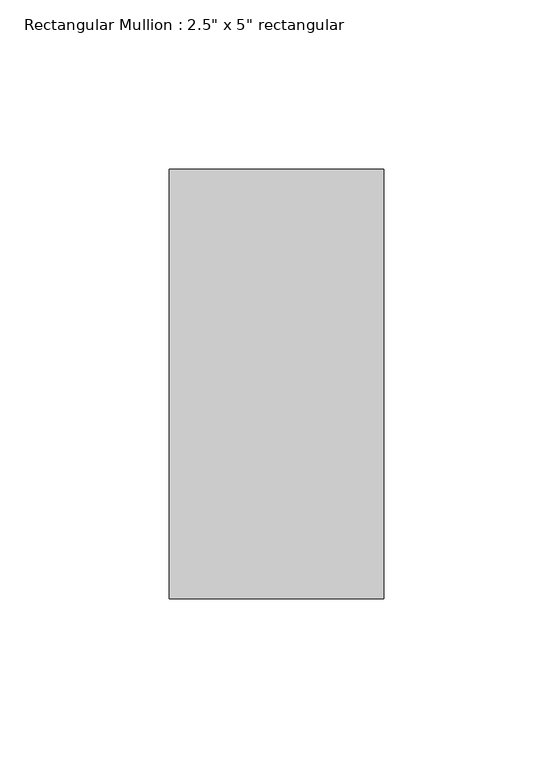
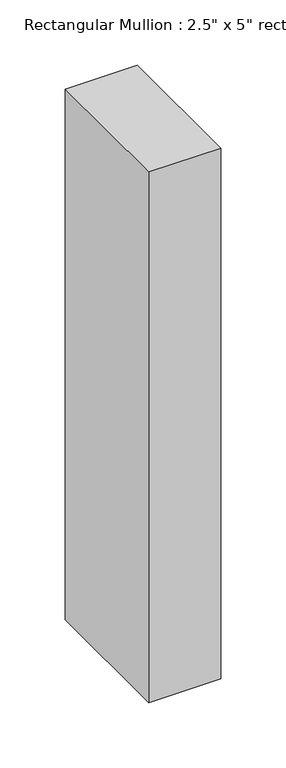
"""IFC4 building model written with IfcOpenShell, lengths in millimetres: member geometry."""

import ifcopenshell
import ifcopenshell.guid

model = None  # the IFC model being written
_history = None  # IfcOwnerHistory: only IFC2X3 demands one
_inside = {}  # id of a spatial element -> (the spatial element, [elements in it])
_under = {}  # id of a project, library or spatial element -> (it, [spatial elements below it])
_declared = {}  # id of a project -> (the project, [libraries it declares])
_typed = {}  # id of a type object -> (the type object, [elements of that type])
_made_of = {}  # id of a material, layer set ... -> (it, [elements and type objects made of it])


def new_model(schema):
    """Start an empty IFC model of exactly this schema.

    Asked for "IFC4X3", IfcOpenShell would pick the latest addendum, in which some entities
    have other attributes; the version numbers below select the first issue.
    IFC2X3 requires an IfcOwnerHistory on every rooted entity: one is made here for all.
    """
    global model, _history
    if schema == "IFC4X3":
        model = ifcopenshell.file(schema_version=(4, 3, 0, 0))
    else:
        model = ifcopenshell.file(schema=schema)
    _inside.clear()
    _under.clear()
    _declared.clear()
    _typed.clear()
    _made_of.clear()
    _history = None
    if model.schema == "IFC2X3":
        org = make("IfcOrganization", Name="unknown")
        user = make(
            "IfcPersonAndOrganization",
            ThePerson=make("IfcPerson", FamilyName="unknown"),
            TheOrganization=org,
        )
        app = make(
            "IfcApplication",
            ApplicationDeveloper=org,
            Version="unknown",
            ApplicationFullName="unknown",
            ApplicationIdentifier="unknown",
        )
        _history = make(
            "IfcOwnerHistory",
            OwningUser=user,
            OwningApplication=app,
            ChangeAction="ADDED",
            CreationDate=0,
        )
    return model


def make(cls, **values):
    """One entity of the class cls with the attributes given. An attribute that is None is left unset."""
    return model.create_entity(
        cls, **{name: value for name, value in values.items() if value is not None}
    )


def rooted(cls, **values):
    """An entity with a GlobalId (a new one), such as an element, a storey or a relation."""
    return make(cls, GlobalId=ifcopenshell.guid.new(), OwnerHistory=_history, **values)


def si_unit(unit_type, name, prefix=None):
    """IfcSIUnit, for example si_unit("LENGTHUNIT", "METRE", prefix="MILLI")."""
    return make("IfcSIUnit", UnitType=unit_type, Prefix=prefix, Name=name)


def assignment(units):
    """IfcUnitAssignment: the units of a project."""
    return None if units is None else make("IfcUnitAssignment", Units=units)


def point(xyz):
    """IfcCartesianPoint."""
    return None if xyz is None else make("IfcCartesianPoint", Coordinates=xyz)


def direction(xyz):
    """IfcDirection."""
    return None if xyz is None else make("IfcDirection", DirectionRatios=xyz)


def frame(location, z_axis=None, x_axis=None):
    """IfcAxis2Placement3D, a coordinate frame: its origin and axes. An axis left out is left unset."""
    return make(
        "IfcAxis2Placement3D",
        Location=point(location),
        Axis=direction(z_axis),
        RefDirection=direction(x_axis),
    )


def origin():
    """The frame at (0, 0, 0) with its axes left unset."""
    return frame((0.0, 0.0, 0.0))


def place(relative_to, where):
    """IfcLocalPlacement: puts the frame where relative to a parent placement (None: the world)."""
    return make(
        "IfcLocalPlacement", PlacementRelTo=relative_to, RelativePlacement=where
    )


def context(
    kind, dimensions, precision=None, world=None, true_north=None, identifier=None
):
    """IfcGeometricRepresentationContext, for example the 3D "Model" context."""
    return make(
        "IfcGeometricRepresentationContext",
        ContextIdentifier=identifier,
        ContextType=kind,
        CoordinateSpaceDimension=dimensions,
        Precision=precision,
        WorldCoordinateSystem=world,
        TrueNorth=true_north,
    )


def project(units=None, contexts=None):
    """IfcProject with its units and contexts."""
    return rooted(
        "IfcProject",
        Name="project",
        RepresentationContexts=contexts,
        UnitsInContext=assignment(units),
    )


def spatial(cls, under=None, at=None, **own):
    """A site, building, storey or space (cls), placed at a placement, below another one or the project."""
    s = rooted(cls, ObjectPlacement=at, **own)
    if under is not None:
        _under.setdefault(under.id(), (under, []))[1].append(s)
    return s


def polyline(points):
    """IfcPolyline through the points."""
    return make("IfcPolyline", Points=[point(p) for p in points])


def outline(outer, holes=None, kind="AREA"):
    """IfcArbitraryClosedProfileDef: a profile drawn as a closed curve; with holes, ...WithVoids."""
    if holes is None:
        return make("IfcArbitraryClosedProfileDef", ProfileType=kind, OuterCurve=outer)
    return make(
        "IfcArbitraryProfileDefWithVoids",
        ProfileType=kind,
        OuterCurve=outer,
        InnerCurves=holes,
    )


def extrude(swept, where, along, depth):
    """IfcExtrudedAreaSolid: the profile swept, set in the frame where, extruded along a direction by depth."""
    return make(
        "IfcExtrudedAreaSolid",
        SweptArea=swept,
        Position=where,
        ExtrudedDirection=direction(along),
        Depth=depth,
    )


def shape(context_of_items, identifier, shape_type, items):
    """IfcShapeRepresentation: the items that make up one representation, for example the "Body"."""
    return make(
        "IfcShapeRepresentation",
        ContextOfItems=context_of_items,
        RepresentationIdentifier=identifier,
        RepresentationType=shape_type,
        Items=items,
    )


def source(mapping_origin, context_of_items, identifier, shape_type, items):
    """IfcRepresentationMap: a shape defined once, which mapped items show again and again."""
    return make(
        "IfcRepresentationMap",
        MappingOrigin=mapping_origin,
        MappedRepresentation=shape(context_of_items, identifier, shape_type, items),
    )


def transform(
    local_origin,
    x_axis=None,
    y_axis=None,
    z_axis=None,
    scale=None,
    scale2=None,
    scale3=None,
    uniform=True,
):
    """IfcCartesianTransformationOperator3D, or its non-uniform kind. x_axis, y_axis, z_axis: its Axis1, 2, 3."""
    if uniform:
        return make(
            "IfcCartesianTransformationOperator3D",
            Axis1=direction(x_axis),
            Axis2=direction(y_axis),
            LocalOrigin=point(local_origin),
            Scale=scale,
            Axis3=direction(z_axis),
        )
    return make(
        "IfcCartesianTransformationOperator3DnonUniform",
        Axis1=direction(x_axis),
        Axis2=direction(y_axis),
        LocalOrigin=point(local_origin),
        Scale=scale,
        Axis3=direction(z_axis),
        Scale2=scale2,
        Scale3=scale3,
    )


def mapped(mapping_source, mapping_target):
    """IfcMappedItem: shows the shape of a source again, moved by a transform."""
    return make(
        "IfcMappedItem", MappingSource=mapping_source, MappingTarget=mapping_target
    )


def made_of(thing, what):
    """Note that an element or type object is made of a material, layer set ...; save() writes the relation."""
    if what is not None:
        _made_of.setdefault(what.id(), (what, []))[1].append(thing)
    return thing


def element(
    cls,
    number,
    at=None,
    inside=None,
    cuts=None,
    type_object=None,
    material=None,
    context=None,
    identifier="Body",
    shape_type=None,
    held_by="IfcProductDefinitionShape",
    body=None,
    shapes=None,
    **own,
):
    """One element of the class cls, such as IfcWall. Its Tag is "e" and its number.

    at: its placement. inside: the storey or other place that contains it. cuts: it is an
    opening in that element (IfcRelVoidsElement). A single representation is given by context,
    identifier, shape_type and body (its items); several are given by shapes. held_by: the class
    of the entity that holds the representations. save() writes the other relations.
    """
    e = rooted(cls, Tag="e%d" % number, ObjectPlacement=at, **own)
    if body is not None:
        shapes = [shape(context, identifier, shape_type, body)]
    if shapes is not None:
        e.Representation = make(held_by, Representations=shapes)
    if inside is not None:
        _inside.setdefault(inside.id(), (inside, []))[1].append(e)
    if cuts is not None:
        rooted(
            "IfcRelVoidsElement", RelatingBuildingElement=cuts, RelatedOpeningElement=e
        )
    if type_object is not None:
        _typed.setdefault(type_object.id(), (type_object, []))[1].append(e)
    return made_of(e, material)


def aggregate(whole, parts):
    """IfcRelAggregates: a whole, such as a stair, and the parts it consists of."""
    return rooted("IfcRelAggregates", RelatingObject=whole, RelatedObjects=parts)


def save(model, path):
    """Write the relations noted so far, then the file.

    IfcRelAggregates (storeys below a building ...), IfcRelContainedInSpatialStructure (elements
    in a storey), IfcRelDefinesByType, IfcRelAssociatesMaterial and IfcRelDeclares: one each for
    every whole, place, type object, material and project.
    """
    for whole, parts in _under.values():
        aggregate(whole, parts)
    for where, things in _inside.values():
        rooted(
            "IfcRelContainedInSpatialStructure",
            RelatedElements=things,
            RelatingStructure=where,
        )
    for kind, things in _typed.values():
        rooted("IfcRelDefinesByType", RelatedObjects=things, RelatingType=kind)
    for what, things in _made_of.values():
        rooted("IfcRelAssociatesMaterial", RelatedObjects=things, RelatingMaterial=what)
    for by, libraries in _declared.values():
        rooted("IfcRelDeclares", RelatingContext=by, RelatedDefinitions=libraries)
    model.write(path)


def member_ce20171e(model_context):
    return source(origin(), model_context, "Body", "SweptSolid", [
        extrude(outline(polyline([(0.0, 63.5), (0.0, -63.5), (-63.5, -63.5), (-63.5, 63.5), (0.0, 63.5)])), frame((0.0, 0.0, -495.0327021), z_axis=(0.0, 0.0, 1.0), x_axis=(1.0, 0.0, 0.0)), (0.0, 0.0, 1.0), 495.0327021),
    ])


if __name__ == "__main__":
    model = new_model("IFC4")
    model_context = context("Model", 3, world=origin())
    ifc_project = project(units=[si_unit("LENGTHUNIT", "METRE", prefix="MILLI")], contexts=[model_context])
    site = spatial("IfcSite", under=ifc_project)
    building = spatial("IfcBuilding", under=site)
    placement = place(None, origin())
    member_shape = member_ce20171e(model_context)
    element("IfcMember", 1, ObjectType="Rectangular Mullion : 2.5\" x 5\" rectangular", at=placement, inside=building, context=model_context, shape_type="MappedRepresentation", body=[
        mapped(member_shape, transform((0.0, 0.0, 0.0), x_axis=(1.0, 0.0, 0.0), y_axis=(0.0, 1.0, 0.0), z_axis=(0.0, 0.0, 1.0))),
    ])
    save(model, "model.ifc")
